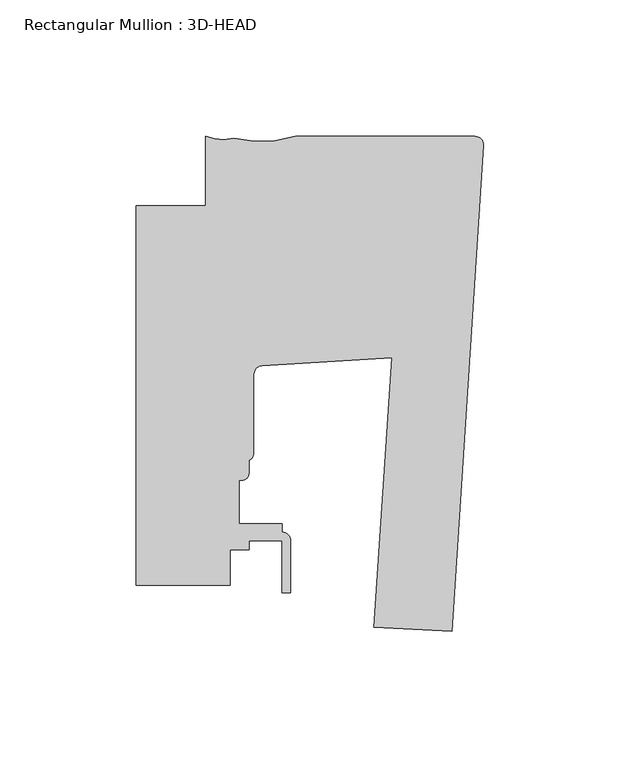
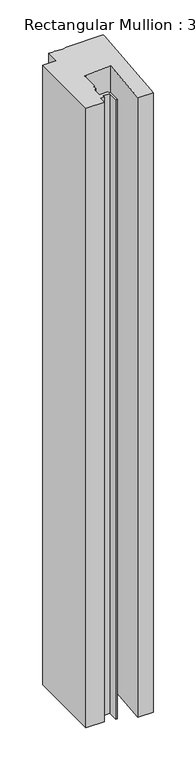
"""IFC4 building model written with IfcOpenShell, lengths in millimetres: member geometry, Rectangular Mullion : 3D-HEAD."""

from ifc_helpers import new_model, si_unit, point, frame, frame_2d, origin, place, context, project, spatial, polyline, circle_curve, trimmed, segment, composite_curve, outline, extrude, source, transform, mapped, element, save


def rectangular_mullion_3d_head_1b4433b9(model_context):
    return source(origin(), model_context, "Body", "SweptSolid", [
        extrude(outline(composite_curve([segment(polyline([(-11.5383887, -183.9116498), (-40.1652502, -182.4113796), (-33.647817, -83.7374579), (-81.3507626, -86.5806357)]), True, "CONTINUOUS"), segment(trimmed(circle_curve(frame_2d((-81.1875559, -89.7514382)), 3.175), [point((-81.3507626, -86.5806357))], [point((-84.3625559, -89.7514382))], True, "CARTESIAN"), True, "CONTINUOUS"), segment(polyline([(-84.3625559, -89.7514382), (-84.3625559, -118.4629255)]), True, "CONTINUOUS"), segment(trimmed(circle_curve(frame_2d((-87.5375559, -118.4629255)), 3.175), [point((-84.3625559, -118.4629255))], [point((-86.1405562, -121.3140685))], False, "CARTESIAN"), True, "CONTINUOUS"), segment(polyline([(-86.1405562, -121.3140685), (-86.1405562, -126.0450134)]), True, "CONTINUOUS"), segment(trimmed(circle_curve(frame_2d((-88.6805561, -126.0450134)), 2.5399999), [point((-86.1405562, -126.0450134))], [point((-88.6805561, -128.5850133))], False, "CARTESIAN"), True, "CONTINUOUS"), segment(polyline([(-88.6805561, -128.5850133), (-89.8235559, -128.5850133), (-89.8235559, -144.4600133), (-73.9485559, -144.4600133), (-73.9485559, -147.6350307)]), True, "CONTINUOUS"), segment(trimmed(circle_curve(frame_2d((-73.9380354, -150.8100133)), 3.175), [point((-73.9485559, -147.6350307))], [point((-70.7630354, -150.8100133))], False, "CARTESIAN"), True, "CONTINUOUS"), segment(polyline([(-70.7630354, -150.8100133), (-70.7630354, -169.8600133), (-73.9380354, -169.8600133), (-73.9380354, -150.8100133), (-86.1405562, -150.8100133), (-86.1405562, -153.9850133), (-92.9985559, -153.9850133), (-92.9985559, -167.0288125), (-127.4896668, -167.0288125), (-127.4896668, -27.837265), (-102.08978, -27.8367479), (-102.08978, -2.4368125)]), True, "CONTINUOUS"), segment(trimmed(circle_curve(frame_2d((-95.8348398, 13.0962674)), 16.7451739), [point((-102.08978, -2.4368125))], [point((-91.8088828, -3.1577327))], True, "CARTESIAN"), True, "CONTINUOUS"), segment(trimmed(circle_curve(frame_2d((-81.6714448, 38.5783094)), 42.9495617), [point((-91.8088828, -3.1577327))], [point((-68.9268525, -2.4368125))], True, "CARTESIAN"), True, "CONTINUOUS"), segment(polyline([(-68.9268525, -2.4368125), (-3.175, -2.4368125)]), True, "CONTINUOUS"), segment(trimmed(circle_curve(frame_2d((-3.175, -5.6118125)), 3.175), [point((-3.175, -2.4368125))], [point((-0.006635, -5.8169663))], False, "CARTESIAN"), True, "CONTINUOUS"), segment(polyline([(-0.006635, -5.8169663), (-11.5383887, -183.9116498)]), True, "CONTINUOUS")], self_intersect=False)), frame((0.0, 0.0, -1219.2), z_axis=(0.0, 0.0, 1.0), x_axis=(1.0, 0.0, 0.0)), (0.0, 0.0, 1.0), 1219.2),
    ])


if __name__ == "__main__":
    model = new_model("IFC4")
    model_context = context("Model", 3, world=origin())
    ifc_project = project(units=[si_unit("LENGTHUNIT", "METRE", prefix="MILLI")], contexts=[model_context])
    site = spatial("IfcSite", under=ifc_project)
    building = spatial("IfcBuilding", under=site)
    placement = place(None, origin())
    rectangular_mullion_3d_head_shape = rectangular_mullion_3d_head_1b4433b9(model_context)
    element("IfcMember", 1, ObjectType="Rectangular Mullion : 3D-HEAD", at=placement, inside=building, context=model_context, shape_type="MappedRepresentation", body=[
        mapped(rectangular_mullion_3d_head_shape, transform((0.0, 0.0, 0.0), x_axis=(1.0, 0.0, 0.0), y_axis=(0.0, 1.0, 0.0), z_axis=(0.0, 0.0, 1.0))),
    ])
    save(model, "model.ifc")
